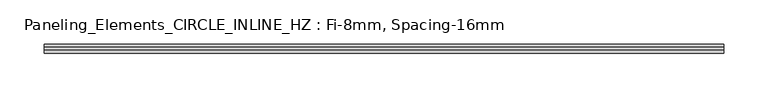
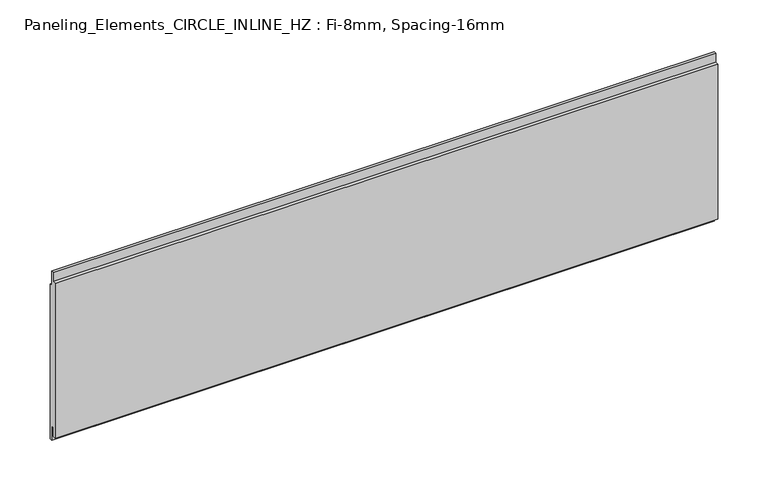
"""IFC4 building model written with IfcOpenShell, lengths in millimetres: plate geometry, Paneling_Elements_CIRCLE_INLINE_HZ : Fi-8mm, Spacing-16mm."""

from ifc_helpers import new_model, si_unit, frame, origin, place, context, project, spatial, polyline, outline, extrude, source, transform, mapped, element, save


def paneling_elements_circle_inline_hz_fi_8mm_spacing_16mm_4f84b75b(model_context):
    return source(origin(), model_context, "Body", "SweptSolid", [
        extrude(outline(polyline([(-1.0, 200.0), (2.0, 200.0), (2.0, 182.0), (5.0, 182.0), (5.0, -7.0), (2.0, -7.0), (2.0, 11.0), (-1.0, 11.0), (-1.0, 0.0), (-5.0, 0.0), (-5.0, 189.0), (-1.0, 189.0), (-1.0, 200.0)])), frame((-382.25, 0.0, 0.0), z_axis=(1.0, 0.0, 0.0), x_axis=(0.0, 1.0, 0.0)), (0.0, 0.0, 1.0), 764.5),
    ])


if __name__ == "__main__":
    model = new_model("IFC4")
    model_context = context("Model", 3, world=origin())
    ifc_project = project(units=[si_unit("LENGTHUNIT", "METRE", prefix="MILLI")], contexts=[model_context])
    site = spatial("IfcSite", under=ifc_project)
    building = spatial("IfcBuilding", under=site)
    placement = place(None, origin())
    paneling_elements_circle_inline_hz_fi_8mm_spacing_16mm_shape = paneling_elements_circle_inline_hz_fi_8mm_spacing_16mm_4f84b75b(model_context)
    element("IfcPlate", 1, ObjectType="Paneling_Elements_CIRCLE_INLINE_HZ : Fi-8mm, Spacing-16mm", at=placement, inside=building, context=model_context, shape_type="MappedRepresentation", body=[
        mapped(paneling_elements_circle_inline_hz_fi_8mm_spacing_16mm_shape, transform((0.0, 0.0, 0.0), x_axis=(1.0, 0.0, 0.0), y_axis=(0.0, 1.0, 0.0), z_axis=(0.0, 0.0, 1.0))),
    ])
    save(model, "model.ifc")
